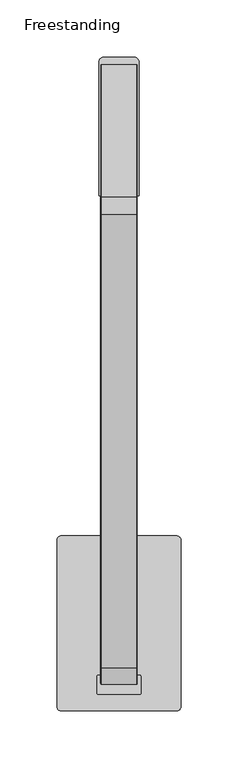
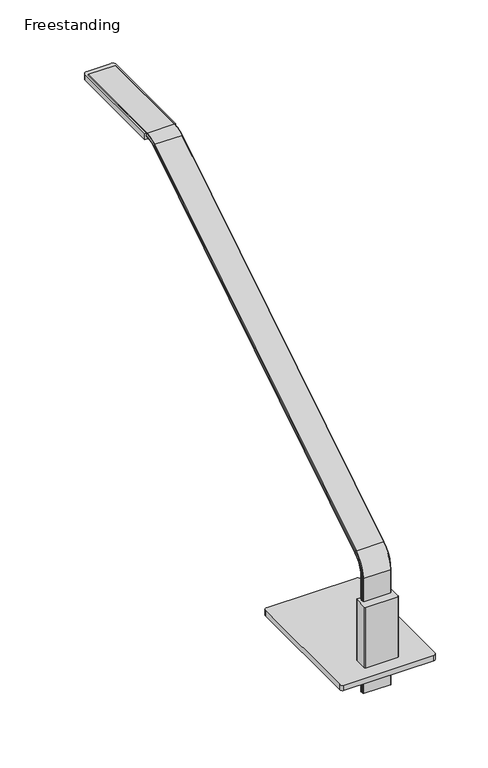
"""IFC4 building model written with IfcOpenShell, lengths in millimetres: furniture geometry, Freestanding."""

from ifc_helpers import new_model, si_unit, point, frame, frame_2d, origin, place, context, project, spatial, polyline, circle_curve, ellipse_curve, trimmed, segment, composite_curve, outline, extrude, source, transform, mapped, element, save
from ifc_brep_helpers import plane_surface, cylinder_surface, revolved_surface, advanced_brep


def freestanding_fce31ace(model_context):
    return source(origin(), model_context, "Body", "SolidModel", [
        extrude(outline(composite_curve([segment(trimmed(circle_curve(frame_2d((-41.2113861, -31.553418)), 6.35), [point((-47.5613861, -31.553418))], [point((-34.8613861, -31.553418))], False, "CARTESIAN"), True, "CONTINUOUS"), segment(trimmed(circle_curve(frame_2d((-41.2113861, -31.553418)), 6.35), [point((-34.8613861, -31.553418))], [point((-47.5613861, -31.553418))], False, "CARTESIAN"), True, "CONTINUOUS")], self_intersect=False)), frame((0.0, 0.0, 711.2), z_axis=(0.0, 0.0, 1.0), x_axis=(1.0, 0.0, 0.0)), (0.0, 0.0, 1.0), 4.7497828),
        extrude(outline(composite_curve([segment(trimmed(circle_curve(frame_2d((41.2113861, -31.553418)), 6.35), [point((47.5613861, -31.553418))], [point((34.8613861, -31.553418))], False, "CARTESIAN"), True, "CONTINUOUS"), segment(trimmed(circle_curve(frame_2d((41.2113861, -31.553418)), 6.35), [point((34.8613861, -31.553418))], [point((47.5613861, -31.553418))], False, "CARTESIAN"), True, "CONTINUOUS")], self_intersect=False)), frame((0.0, 0.0, 711.2), z_axis=(0.0, 0.0, 1.0), x_axis=(1.0, 0.0, 0.0)), (0.0, 0.0, 1.0), 4.7497828),
        extrude(outline(composite_curve([segment(trimmed(circle_curve(frame_2d((-41.2113861, 94.7478165)), 6.35), [point((-47.5613861, 94.7478165))], [point((-34.8613861, 94.7478165))], False, "CARTESIAN"), True, "CONTINUOUS"), segment(trimmed(circle_curve(frame_2d((-41.2113861, 94.7478165)), 6.35), [point((-34.8613861, 94.7478165))], [point((-47.5613861, 94.7478165))], False, "CARTESIAN"), True, "CONTINUOUS")], self_intersect=False)), frame((0.0, 0.0, 711.2), z_axis=(0.0, 0.0, 1.0), x_axis=(1.0, 0.0, 0.0)), (0.0, 0.0, 1.0), 4.7497828),
        extrude(outline(composite_curve([segment(trimmed(circle_curve(frame_2d((41.2113861, 94.7478165)), 6.35), [point((47.5613861, 94.7478165))], [point((34.8613861, 94.7478165))], False, "CARTESIAN"), True, "CONTINUOUS"), segment(trimmed(circle_curve(frame_2d((41.2113861, 94.7478165)), 6.35), [point((34.8613861, 94.7478165))], [point((47.5613861, 94.7478165))], False, "CARTESIAN"), True, "CONTINUOUS")], self_intersect=False)), frame((0.0, 0.0, 711.2), z_axis=(0.0, 0.0, 1.0), x_axis=(1.0, 0.0, 0.0)), (0.0, 0.0, 1.0), 4.7497828),
        extrude(outline(composite_curve([segment(trimmed(circle_curve(frame_2d((-50.8003876, 104.6222477)), 3.1748062), [point((-53.9751938, 104.6222477))], [point((-50.8003876, 107.7970539))], False, "CARTESIAN"), True, "CONTINUOUS"), segment(polyline([(-50.8003876, 107.7970539), (50.7998062, 107.7970539)]), True, "CONTINUOUS"), segment(trimmed(circle_curve(frame_2d((50.7998062, 104.6222477)), 3.1748062), [point((50.7998062, 107.7970539))], [point((53.9746124, 104.6222477))], False, "CARTESIAN"), True, "CONTINUOUS"), segment(polyline([(53.9746124, 104.6222477), (53.9746124, -41.4278492)]), True, "CONTINUOUS"), segment(trimmed(circle_curve(frame_2d((50.7995155, -41.4278492)), 3.1750969), [point((53.9746124, -41.4278492))], [point((50.7995155, -44.6029461))], False, "CARTESIAN"), True, "CONTINUOUS"), segment(polyline([(50.7995155, -44.6029461), (-50.8000969, -44.6029461)]), True, "CONTINUOUS"), segment(trimmed(circle_curve(frame_2d((-50.8000969, -41.4278492)), 3.1750969), [point((-50.8000969, -44.6029461))], [point((-53.9751938, -41.4278492))], False, "CARTESIAN"), True, "CONTINUOUS"), segment(polyline([(-53.9751938, -41.4278492), (-53.9751938, 104.6222477)]), True, "CONTINUOUS")], self_intersect=False)), frame((0.0, 0.0, 715.9497828), z_axis=(0.0, 0.0, 1.0), x_axis=(1.0, 0.0, 0.0)), (0.0, 0.0, 1.0), 6.3500484),
        extrude(outline(composite_curve([segment(polyline([(18.034, -30.4551905), (-18.034, -30.4551905)]), True, "CONTINUOUS"), segment(trimmed(circle_curve(frame_2d((-18.034, -29.4391905)), 1.016), [point((-18.034, -30.4551905))], [point((-19.05, -29.4391905))], False, "CARTESIAN"), True, "CONTINUOUS"), segment(polyline([(-19.05, -29.4391905), (-19.05, -14.5802157)]), True, "CONTINUOUS"), segment(trimmed(circle_curve(frame_2d((-18.034, -14.5802157)), 1.016), [point((-19.05, -14.5802157))], [point((-18.034, -13.5642157))], False, "CARTESIAN"), True, "CONTINUOUS"), segment(polyline([(-18.034, -13.5642157), (18.034, -13.5642157)]), True, "CONTINUOUS"), segment(trimmed(circle_curve(frame_2d((18.034, -14.5802157)), 1.016), [point((18.034, -13.5642157))], [point((19.05, -14.5802157))], False, "CARTESIAN"), True, "CONTINUOUS"), segment(polyline([(19.05, -14.5802157), (19.05, -29.4391905)]), True, "CONTINUOUS"), segment(trimmed(circle_curve(frame_2d((18.034, -29.4391905)), 1.016), [point((19.05, -29.4391905))], [point((18.034, -30.4551905))], False, "CARTESIAN"), True, "CONTINUOUS")], self_intersect=False)), frame((0.0, 0.0, 722.2998312), z_axis=(0.0, 0.0, 1.0), x_axis=(1.0, 0.0, 0.0)), (0.0, 0.0, 1.0), 73.0249688),
        extrude(outline(composite_curve([segment(polyline([(17.4750961, 404.6055359), (-17.4625, 404.6055359), (-17.4625, 521.4455359)]), True, "CONTINUOUS"), segment(trimmed(circle_curve(frame_2d((-13.6525, 521.4455359)), 3.81), [point((-17.4625, 521.4455359))], [point((-13.6525, 525.2555359))], False, "CARTESIAN"), True, "CONTINUOUS"), segment(polyline([(-13.6525, 525.2555359), (13.6650961, 525.2555359)]), True, "CONTINUOUS"), segment(trimmed(circle_curve(frame_2d((13.6650961, 521.4455359)), 3.81), [point((13.6650961, 525.2555359))], [point((17.4750961, 521.4455359))], False, "CARTESIAN"), True, "CONTINUOUS"), segment(polyline([(17.4750961, 521.4455359), (17.4750961, 404.6055359)]), True, "CONTINUOUS")], self_intersect=False)), frame((0.0, 0.0, 1091.6666), z_axis=(0.0, 0.0, 1.0), x_axis=(1.0, 0.0, 0.0)), (0.0, 0.0, 1.0), 6.858),
        advanced_brep(
        [(-15.113, -21.5349501, 685.7240386), (-15.875, -20.7729501, 685.7240386), (-15.875, -17.7249181, 685.7240386), (-15.113, -16.9629181, 685.7240386), (15.113, -16.9629181, 685.7240386), (15.875, -17.7249181, 685.7240386), (15.875, -20.7729501, 685.7240386), (15.113, -21.5349501, 685.7240386), (15.113, -21.5349501, 823.3409729), (-15.113, -21.5349501, 823.3409729), (15.875, -20.7729501, 823.3409729), (15.113, -16.9629181, 823.3409729), (15.875, -17.7250276, 823.3409729), (-15.113, -16.9629181, 823.3409729), (-15.875, -17.7249181, 823.3409729), (-15.8749998, -20.7734392, 823.3409729), (15.113, -7.462795, 847.9735198), (-15.113, -7.462795, 847.9735198), (15.875, -7.0664421, 847.3229981), (15.113, -5.0839032, 844.0691185), (15.875, -5.4804076, 844.7198889), (-15.113, -5.0839032, 844.0691185), (-15.875, -5.4804076, 844.7198889), (-15.875, -7.0664421, 847.3229981), (15.113, 387.9101641, 1095.0303139), (-15.113, 387.9101641, 1095.0303139), (15.875, 388.3139626, 1094.3841013), (15.113, 390.332972, 1091.1530109), (15.875, 389.929084, 1091.7993669), (-15.113, 390.332972, 1091.1530109), (-15.875, 389.9291735, 1091.7992236), (-15.8749996, 388.3135603, 1094.3847451), (15.113, 403.0064861, 1099.41249), (-15.113, 403.0064861, 1099.41249), (15.8749991, 403.0252096, 1098.6518746), (15.875, 403.1002411, 1095.6038426), (15.875, 518.8549576, 1095.6038426), (15.875, 518.8549576, 1098.6518746), (15.113, 403.1189987, 1094.8418426), (-15.113, 403.1189987, 1094.8418426), (-15.875, 403.1002411, 1095.6038426), (-15.875, 403.0252096, 1098.6518746), (-15.875, 518.8549576, 1098.6518746), (-15.875, 518.8549576, 1095.6038426), (-15.113, 518.8549576, 1099.4138746), (15.113, 518.8549576, 1099.4138746), (15.113, 518.8549576, 1094.8418426), (-15.113, 518.8549576, 1094.8418426)],
        [
            (0, 1, circle_curve(frame((-15.113, -20.7729501, 685.7240386), z_axis=(0.0, 0.0, -1.0), x_axis=(0.0, 1.0, 0.0)), 0.762)),
            (1, 2),
            (2, 3, circle_curve(frame((-15.113, -17.7249181, 685.7240386), z_axis=(0.0, 0.0, -1.0), x_axis=(0.0, 1.0, 0.0)), 0.762)),
            (3, 4),
            (4, 5, circle_curve(frame((15.113, -17.7249181, 685.7240386), z_axis=(0.0, 0.0, -1.0), x_axis=(0.0, 1.0, 0.0)), 0.762)),
            (5, 6),
            (6, 7, circle_curve(frame((15.113, -20.7729501, 685.7240386), z_axis=(0.0, 0.0, -1.0), x_axis=(0.0, 1.0, 0.0)), 0.762)),
            (7, 0),
            (7, 8),
            (8, 9),
            (9, 0),
            (6, 10),
            (10, 8, circle_curve(frame((15.113, -20.7729501, 823.3409729), z_axis=(0.0, 0.0, -1.0), x_axis=(0.0, 1.0, 0.0)), 0.762)),
            (4, 11),
            (11, 12, circle_curve(frame((15.113, -17.7249181, 823.3409729), z_axis=(0.0, 0.0, -1.0), x_axis=(0.0, 1.0, 0.0)), 0.762)),
            (12, 5),
            (3, 13),
            (13, 11),
            (2, 14),
            (14, 13, circle_curve(frame((-15.113, -17.7249181, 823.3409729), z_axis=(0.0, 0.0, -1.0), x_axis=(0.0, 1.0, 0.0)), 0.762)),
            (9, 15, circle_curve(frame((-15.113, -20.7729501, 823.3409729), z_axis=(0.0, 0.0, -1.0), x_axis=(0.0, 1.0, 0.0)), 0.762)),
            (15, 1),
            (16, 17),
            (17, 9, circle_curve(frame((-15.113, 7.8052046, 822.9146255), z_axis=(1.0, 0.0, 0.0), x_axis=(0.0, -0.9998518796973476, 0.01721100420314434)), 29.3438238)),
            (8, 16, circle_curve(frame((15.113, 7.8052046, 822.9146255), z_axis=(-1.0, 0.0, 0.0), x_axis=(0.0, -0.9998518796973476, 0.01721100420314434)), 29.3438238)),
            (18, 16, circle_curve(frame((15.113, -7.0663158, 847.3227908), z_axis=(0.0, -0.8539750822801524, -0.5203139041430729), x_axis=(0.0, 0.5203139041430729, -0.8539750822801524)), 0.762)),
            (10, 18, circle_curve(frame((15.875, 7.8052046, 822.9146255), z_axis=(-1.0, 0.0, 0.0), x_axis=(0.0, -0.9998518796973476, 0.01721100420314434)), 28.5818238)),
            (19, 20, circle_curve(frame((15.113, -5.4803824, 844.7198475), z_axis=(0.0, -0.8539750822801543, -0.5203139041430695), x_axis=(0.0, 0.5203139041430695, -0.8539750822801543)), 0.762)),
            (20, 12, circle_curve(frame((15.875, 7.8052046, 822.9146255), z_axis=(1.0, 0.0, 0.0), x_axis=(0.0, -0.9998518796973476, 0.01721100420314434)), 25.5337919)),
            (11, 19, circle_curve(frame((15.113, 7.8052046, 822.9146255), z_axis=(-1.0, 0.0, 0.0), x_axis=(0.0, -0.9998518796973476, 0.01721100420314434)), 24.7717919)),
            (21, 19),
            (13, 21, circle_curve(frame((-15.113, 7.8052046, 822.9146255), z_axis=(-1.0, 0.0, 0.0), x_axis=(0.0, -0.9998518796973476, 0.01721100420314434)), 24.7717919)),
            (22, 21, circle_curve(frame((-15.113, -5.4803824, 844.7198475), z_axis=(0.0, -0.8539750822801525, -0.5203139041430727), x_axis=(0.0, 0.5203139041430727, -0.8539750822801525)), 0.762)),
            (14, 22, circle_curve(frame((-15.875, 7.8052046, 822.9146255), z_axis=(-1.0, 0.0, 0.0), x_axis=(0.0, -0.9998518796973476, 0.01721100420314434)), 25.5337919)),
            (17, 23, circle_curve(frame((-15.113, -7.0663158, 847.3227908), z_axis=(0.0, -0.8539750822801513, -0.5203139041430748), x_axis=(0.0, 0.5203139041430748, -0.8539750822801513)), 0.762)),
            (23, 15, circle_curve(frame((-15.875, 7.8052046, 822.9146255), z_axis=(1.0, 0.0, 0.0), x_axis=(0.0, -0.9998518796973476, 0.01721100420314434)), 28.5818238)),
            (16, 24),
            (24, 25),
            (25, 17),
            (18, 26),
            (26, 24, circle_curve(frame((15.113, 388.3139626, 1094.3841013), z_axis=(0.0, -0.8480480904042981, -0.5299192734385338), x_axis=(0.0, 0.5299192734385338, -0.8480480904042981)), 0.762)),
            (19, 27),
            (27, 28, circle_curve(frame((15.113, 389.9291735, 1091.7992236), z_axis=(0.0, -0.8480480904042981, -0.5299192734385338), x_axis=(0.0, 0.5299192734385338, -0.8480480904042981)), 0.762)),
            (28, 20),
            (21, 29),
            (29, 27),
            (22, 30),
            (30, 29, circle_curve(frame((-15.113, 389.9291735, 1091.7992236), z_axis=(0.0, -0.8480480904042981, -0.5299192734385338), x_axis=(0.0, 0.5299192734385338, -0.8480480904042981)), 0.762)),
            (25, 31, circle_curve(frame((-15.113, 388.3139626, 1094.3841013), z_axis=(0.0, -0.8480480904042981, -0.5299192734385338), x_axis=(0.0, 0.5299192734385338, -0.8480480904042981)), 0.762)),
            (31, 23),
            (32, 33),
            (33, 25, circle_curve(frame((-15.113, 403.7649971, 1068.5991892), z_axis=(1.0, 0.0, 0.0), x_axis=(0.0, -0.5116844334825991, 0.8591734635867146)), 30.8226353)),
            (24, 32, circle_curve(frame((15.113, 403.7649971, 1068.5991892), z_axis=(-1.0, 0.0, 0.0), x_axis=(0.0, -0.5116844334825991, 0.8591734635867146)), 30.8226353)),
            (34, 32, circle_curve(frame((15.113, 403.025238, 1098.6507207), z_axis=(0.0, -0.9996971552757794, -0.024608895414348686), x_axis=(0.0, 0.024608895414348686, -0.9996971552757794)), 0.762)),
            (26, 34, circle_curve(frame((15.875, 403.7649971, 1068.5991892), z_axis=(-1.0, 0.0, 0.0), x_axis=(0.0, -0.5116844334825991, 0.8591734635867146)), 30.0606353)),
            (35, 36),
            (36, 37),
            (37, 34),
            (28, 35, circle_curve(frame((15.875, 403.7649971, 1068.5991892), z_axis=(-1.0, 0.0, 0.0), x_axis=(0.0, -0.5116844334825991, 0.8591734635867146)), 27.0126033)),
            (38, 35, circle_curve(frame((15.113, 403.1002467, 1095.6036119), z_axis=(0.0, -0.9996971552757794, -0.02460889541434491), x_axis=(0.0, 0.02460889541434491, -0.9996971552757794)), 0.762)),
            (27, 38, circle_curve(frame((15.113, 403.7649971, 1068.5991892), z_axis=(-1.0, 0.0, 0.0), x_axis=(0.0, -0.5116844334825991, 0.8591734635867146)), 26.2506033)),
            (39, 38),
            (29, 39, circle_curve(frame((-15.113, 403.7649971, 1068.5991892), z_axis=(-1.0, 0.0, 0.0), x_axis=(0.0, -0.5116844334825991, 0.8591734635867146)), 26.2506033)),
            (40, 39, circle_curve(frame((-15.113, 403.1002467, 1095.6036119), z_axis=(0.0, -0.9996971552757793, -0.02460889541435124), x_axis=(0.0, 0.02460889541435124, -0.9996971552757793)), 0.762)),
            (30, 40, circle_curve(frame((-15.875, 403.7649971, 1068.5991892), z_axis=(-1.0, 0.0, 0.0), x_axis=(0.0, -0.5116844334825991, 0.8591734635867146)), 27.0126033)),
            (41, 42),
            (42, 43),
            (43, 40),
            (31, 41, circle_curve(frame((-15.875, 403.7649971, 1068.5991892), z_axis=(-1.0, 0.0, 0.0), x_axis=(0.0, -0.5116844334825991, 0.8591734635867146)), 30.0606353)),
            (33, 41, circle_curve(frame((-15.113, 403.025238, 1098.6507207), z_axis=(0.0, -0.9996971552757793, -0.024608895414350573), x_axis=(0.0, 0.024608895414350573, -0.9996971552757793)), 0.762)),
            (44, 45),
            (45, 37, circle_curve(frame((15.113, 518.8549576, 1098.6518746), z_axis=(0.0, 1.0, 0.0), x_axis=(0.0, 0.0, -1.0)), 0.762)),
            (36, 46, circle_curve(frame((15.113, 518.8549576, 1095.6038426), z_axis=(0.0, 1.0, 0.0), x_axis=(0.0, 0.0, -1.0)), 0.762)),
            (46, 47),
            (47, 43, circle_curve(frame((-15.113, 518.8549576, 1095.6038426), z_axis=(0.0, 1.0, 0.0), x_axis=(0.0, 0.0, -1.0)), 0.762)),
            (42, 44, circle_curve(frame((-15.113, 518.8549576, 1098.6518746), z_axis=(0.0, 1.0, 0.0), x_axis=(0.0, 0.0, -1.0)), 0.762)),
            (32, 45),
            (44, 33),
            (38, 46),
            (39, 47),
        ],
        [
            plane_surface(frame((0.0, -16.9629181, 685.7240386), z_axis=(0.0, 0.0, -1.0), x_axis=(1.0, 0.0, 0.0))),
            plane_surface(frame((-15.113, -21.5349501, 685.7240386), z_axis=(0.0, -1.0, 0.0), x_axis=(0.0, 0.0, 1.0))),
            cylinder_surface(frame((15.113, -20.7729501, 685.7240386), z_axis=(0.0, 0.0, -1.0), x_axis=(0.0, 1.0, 0.0)), 0.762),
            cylinder_surface(frame((15.113, -17.7249181, 685.7240386), z_axis=(0.0, 0.0, -1.0), x_axis=(0.0, 1.0, 0.0)), 0.762),
            plane_surface(frame((15.113, -16.9629181, 685.7240386), z_axis=(0.0, 1.0, 0.0), x_axis=(0.0, 0.0, 1.0))),
            cylinder_surface(frame((-15.113, -17.7249181, 685.7240386), z_axis=(0.0, 0.0, -1.0), x_axis=(0.0, 1.0, 0.0)), 0.762),
            cylinder_surface(frame((-15.113, -20.7729501, 685.7240386), z_axis=(0.0, 0.0, -1.0), x_axis=(0.0, 1.0, 0.0)), 0.762),
            cylinder_surface(frame((0.0, 7.8052046, 822.9146255), z_axis=(1.0, 0.0, 0.0), x_axis=(0.0, -0.9998518796973476, 0.01721100420314434)), 29.3438238),
            revolved_surface(trimmed(ellipse_curve(frame((15.113, -20.7723857, 823.4065473), z_axis=(0.0, 0.017211004203144354, 0.9998518796973476), x_axis=(0.0, 0.9998518796973476, -0.017211004203144354)), 0.762, 0.762), [point((15.113, -21.5342729, 823.4196621))], [point((15.875, -20.7723857, 823.4065473))], True, "CARTESIAN"), (0.0, 7.8052046, 822.9146255), (1.0, 0.0, 0.0)),
            revolved_surface(trimmed(ellipse_curve(frame((15.113, -17.7248052, 823.3540877), z_axis=(0.0, 0.017211004203144354, 0.9998518796973476), x_axis=(0.0, 0.9998518796973476, -0.017211004203144354)), 0.762, 0.762), [point((15.875, -17.7248052, 823.3540877))], [point((15.113, -16.9629181, 823.3409729))], True, "CARTESIAN"), (0.0, 7.8052046, 822.9146255), (1.0, 0.0, 0.0)),
            revolved_surface(polyline([(15.113, -16.96291809468653, 823.3409729145104), (-15.113, -16.96291809468653, 823.3409729145104)]), (0.0, 7.8052046, 822.9146255), (1.0, 0.0, 0.0)),
            revolved_surface(trimmed(ellipse_curve(frame((-15.113, -17.7248052, 823.3540877), z_axis=(0.0, 0.017211004203144354, 0.9998518796973476), x_axis=(0.0, 0.9998518796973476, -0.017211004203144354)), 0.762, 0.762), [point((-15.113, -16.9629181, 823.3409729))], [point((-15.875, -17.7248052, 823.3540877))], True, "CARTESIAN"), (0.0, 7.8052046, 822.9146255), (1.0, 0.0, 0.0)),
            revolved_surface(trimmed(ellipse_curve(frame((-15.113, -20.7723857, 823.4065473), z_axis=(0.0, 0.017211004203144354, 0.9998518796973476), x_axis=(0.0, 0.9998518796973476, -0.017211004203144354)), 0.762, 0.762), [point((-15.875, -20.7723857, 823.4065473))], [point((-15.113, -21.5342729, 823.4196621))], True, "CARTESIAN"), (0.0, 7.8052046, 822.9146255), (1.0, 0.0, 0.0)),
            plane_surface(frame((-15.113, -7.4629465, 847.9737685), z_axis=(0.0, -0.5299192734385338, 0.848048090404298), x_axis=(0.0, 0.848048090404298, 0.5299192734385338))),
            cylinder_surface(frame((15.113, -7.1029125, 847.3002088), z_axis=(0.0, -0.8480480904042981, -0.5299192734385338), x_axis=(0.0, 0.5299192734385338, -0.8480480904042981)), 0.762),
            cylinder_surface(frame((15.113, -5.4877017, 844.7153311), z_axis=(0.0, -0.8480480904042981, -0.5299192734385338), x_axis=(0.0, 0.5299192734385338, -0.8480480904042981)), 0.762),
            plane_surface(frame((15.113, -5.0839032, 844.0691185), z_axis=(0.0, 0.5299192734385337, -0.8480480904042981), x_axis=(0.0, 0.8480480904042981, 0.5299192734385337))),
            cylinder_surface(frame((-15.113, -5.4877017, 844.7153311), z_axis=(0.0, -0.8480480904042981, -0.5299192734385338), x_axis=(0.0, 0.5299192734385338, -0.8480480904042981)), 0.762),
            cylinder_surface(frame((-15.113, -7.1029125, 847.3002088), z_axis=(0.0, -0.8480480904042981, -0.5299192734385338), x_axis=(0.0, 0.5299192734385338, -0.8480480904042981)), 0.762),
            cylinder_surface(frame((0.0, 403.7649971, 1068.5991892), z_axis=(1.0, 0.0, 0.0), x_axis=(0.0, -0.5116844334825991, 0.8591734635867146)), 30.8226353),
            revolved_surface(trimmed(ellipse_curve(frame((15.113, 388.3834379, 1094.4264893), z_axis=(0.0, 0.8591734635867146, 0.5116844334825991), x_axis=(0.0, 0.5116844334825991, -0.8591734635867146)), 0.762, 0.762), [point((15.113, 387.9935344, 1095.0811795))], [point((15.875, 388.3834379, 1094.4264893))], True, "CARTESIAN"), (0.0, 403.7649971, 1068.5991892), (1.0, 0.0, 0.0)),
            plane_surface(frame((15.875, 403.7649971, 1068.5991892), z_axis=(1.0, 0.0, 0.0), x_axis=(0.0, -0.5116844334825991, 0.8591734635867146))),
            revolved_surface(trimmed(ellipse_curve(frame((15.113, 389.9430685, 1091.8077011), z_axis=(0.0, 0.8591734635867146, 0.5116844334825991), x_axis=(0.0, 0.5116844334825991, -0.8591734635867146)), 0.762, 0.762), [point((15.875, 389.9430685, 1091.8077011))], [point((15.113, 390.332972, 1091.1530109))], True, "CARTESIAN"), (0.0, 403.7649971, 1068.5991892), (1.0, 0.0, 0.0)),
            revolved_surface(polyline([(15.113, 390.33297202186304, 1091.153010958502), (-15.113, 390.33297202186304, 1091.153010958502)]), (0.0, 403.7649971, 1068.5991892), (1.0, 0.0, 0.0)),
            revolved_surface(trimmed(ellipse_curve(frame((-15.113, 389.9430685, 1091.8077011), z_axis=(0.0, 0.8591734635867146, 0.5116844334825991), x_axis=(0.0, 0.5116844334825991, -0.8591734635867146)), 0.762, 0.762), [point((-15.113, 390.332972, 1091.1530109))], [point((-15.875, 389.9430685, 1091.8077011))], True, "CARTESIAN"), (0.0, 403.7649971, 1068.5991892), (1.0, 0.0, 0.0)),
            plane_surface(frame((-15.875, 403.7649971, 1068.5991892), z_axis=(-1.0, 0.0, 0.0), x_axis=(0.0, -0.5116844334825991, 0.8591734635867146))),
            revolved_surface(trimmed(ellipse_curve(frame((-15.113, 388.3834379, 1094.4264893), z_axis=(0.0, 0.8591734635867146, 0.5116844334825991), x_axis=(0.0, 0.5116844334825991, -0.8591734635867146)), 0.762, 0.762), [point((-15.875, 388.3834379, 1094.4264893))], [point((-15.113, 387.9935344, 1095.0811795))], True, "CARTESIAN"), (0.0, 403.7649971, 1068.5991892), (1.0, 0.0, 0.0)),
            plane_surface(frame((0.0, 518.8549576, 1094.8418426), z_axis=(0.0, 1.0, 0.0), x_axis=(1.0, 0.0, 0.0))),
            plane_surface(frame((-15.113, 403.006452, 1099.4138746), z_axis=(0.0, 0.0, 1.0), x_axis=(0.0, 1.0, 0.0))),
            cylinder_surface(frame((15.113, 403.1189987, 1098.6518746), z_axis=(0.0, -1.0, 0.0), x_axis=(0.0, 0.0, -1.0)), 0.762),
            cylinder_surface(frame((15.113, 403.1189987, 1095.6038426), z_axis=(0.0, -1.0, 0.0), x_axis=(0.0, 0.0, -1.0)), 0.762),
            plane_surface(frame((15.113, 403.1189987, 1094.8418426), z_axis=(0.0, 0.0, -1.0), x_axis=(0.0, 1.0, 0.0))),
            cylinder_surface(frame((-15.113, 403.1189987, 1095.6038426), z_axis=(0.0, -1.0, 0.0), x_axis=(0.0, 0.0, -1.0)), 0.762),
            cylinder_surface(frame((-15.113, 403.1189987, 1098.6518746), z_axis=(0.0, -1.0, 0.0), x_axis=(0.0, 0.0, -1.0)), 0.762),
        ],
        [
            (0, [[1, 2, 3, 4, 5, 6, 7, 8]]),
            (1, [[9, 10, 11, -8]]),
            (2, [[12, 13, -9, -7]]),
            (3, [[14, 15, 16, -5]]),
            (4, [[17, 18, -14, -4]]),
            (5, [[19, 20, -17, -3]]),
            (6, [[-11, 21, 22, -1]]),
            (7, [[23, 24, -10, 25]]),
            (8, [[26, -25, -13, 27]]),
            (9, [[28, 29, -15, 30]]),
            (10, [[31, -30, -18, 32]]),
            (11, [[33, -32, -20, 34]]),
            (12, [[35, 36, -21, -24]]),
            (13, [[37, 38, 39, -23]]),
            (14, [[40, 41, -37, -26]]),
            (15, [[42, 43, 44, -28]]),
            (16, [[45, 46, -42, -31]]),
            (17, [[47, 48, -45, -33]]),
            (18, [[-39, 49, 50, -35]]),
            (19, [[51, 52, -38, 53]]),
            (20, [[54, -53, -41, 55]]),
            (21, [[56, 57, 58, -55, -40, -27, -12, -6, -16, -29, -44, 59]]),
            (22, [[60, -59, -43, 61]]),
            (23, [[62, -61, -46, 63]]),
            (24, [[64, -63, -48, 65]]),
            (25, [[66, 67, 68, -65, -47, -34, -19, -2, -22, -36, -50, 69]]),
            (26, [[70, -69, -49, -52]]),
            (27, [[71, 72, -57, 73, 74, 75, -67, 76]]),
            (28, [[77, -71, 78, -51]]),
            (29, [[-58, -72, -77, -54]]),
            (30, [[79, -73, -56, -60]]),
            (31, [[80, -74, -79, -62]]),
            (32, [[-68, -75, -80, -64]]),
            (33, [[-78, -76, -66, -70]]),
        ],
    ),
    ])


if __name__ == "__main__":
    model = new_model("IFC4")
    model_context = context("Model", 3, world=origin())
    ifc_project = project(units=[si_unit("LENGTHUNIT", "METRE", prefix="MILLI")], contexts=[model_context])
    site = spatial("IfcSite", under=ifc_project)
    building = spatial("IfcBuilding", under=site)
    placement = place(None, origin())
    freestanding_shape = freestanding_fce31ace(model_context)
    element("IfcFurniture", 1, ObjectType="Freestanding", at=placement, inside=building, context=model_context, shape_type="MappedRepresentation", body=[
        mapped(freestanding_shape, transform((0.0, 0.0, 0.0), x_axis=(1.0, 0.0, 0.0), y_axis=(0.0, 1.0, 0.0), z_axis=(0.0, 0.0, 1.0))),
    ])
    save(model, "model.ifc")
